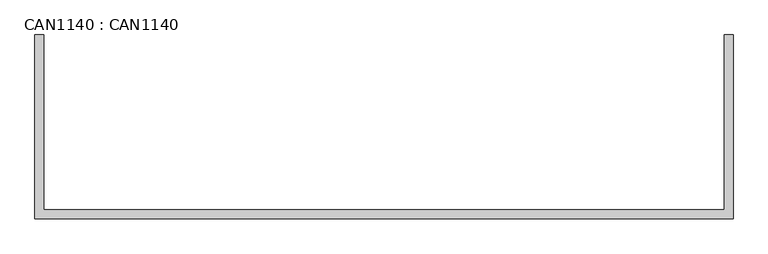
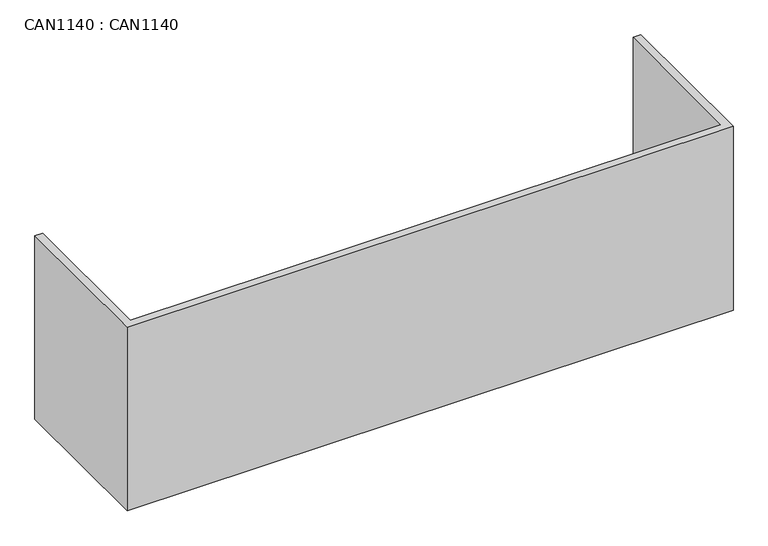
"""IFC4 building model written with IfcOpenShell, lengths in millimetres: proxy geometry, CAN1140 : CAN1140."""

from ifc_helpers import new_model, si_unit, origin, origin_with_axes, place, context, project, spatial, polyline, outline, extrude, source, transform, mapped, element, save


def can1140_can1140_9ed0fbcc(model_context):
    return source(origin(), model_context, "Body", "SweptSolid", [
        extrude(outline(polyline([(18.0, 0.0), (18.0, -352.0), (1387.0, -352.0), (1387.0, 0.0), (1405.0, 0.0), (1405.0, -370.0), (0.0, -370.0), (0.0, 0.0), (18.0, 0.0)])), origin_with_axes(), (0.0, 0.0, 1.0), 450.0),
    ])


if __name__ == "__main__":
    model = new_model("IFC4")
    model_context = context("Model", 3, world=origin())
    ifc_project = project(units=[si_unit("LENGTHUNIT", "METRE", prefix="MILLI")], contexts=[model_context])
    site = spatial("IfcSite", under=ifc_project)
    building = spatial("IfcBuilding", under=site)
    placement = place(None, origin())
    can1140_can1140_shape = can1140_can1140_9ed0fbcc(model_context)
    element("IfcBuildingElementProxy", 1, Name="CAN1140 : CAN1140", ObjectType="CAN1140 : CAN1140", at=placement, inside=building, context=model_context, shape_type="MappedRepresentation", body=[
        mapped(can1140_can1140_shape, transform((0.0, 0.0, 0.0), x_axis=(1.0, 0.0, 0.0), y_axis=(0.0, 1.0, 0.0), z_axis=(0.0, 0.0, 1.0))),
    ])
    save(model, "model.ifc")
